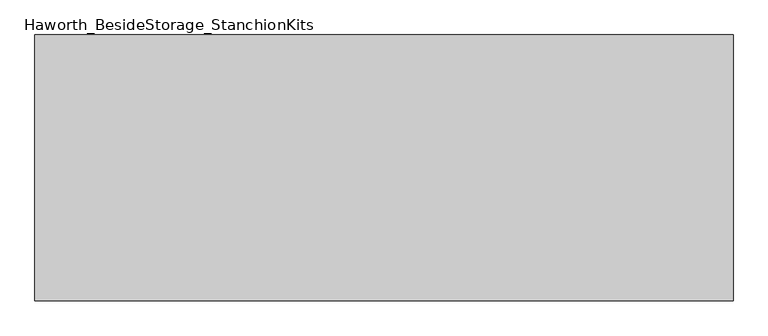
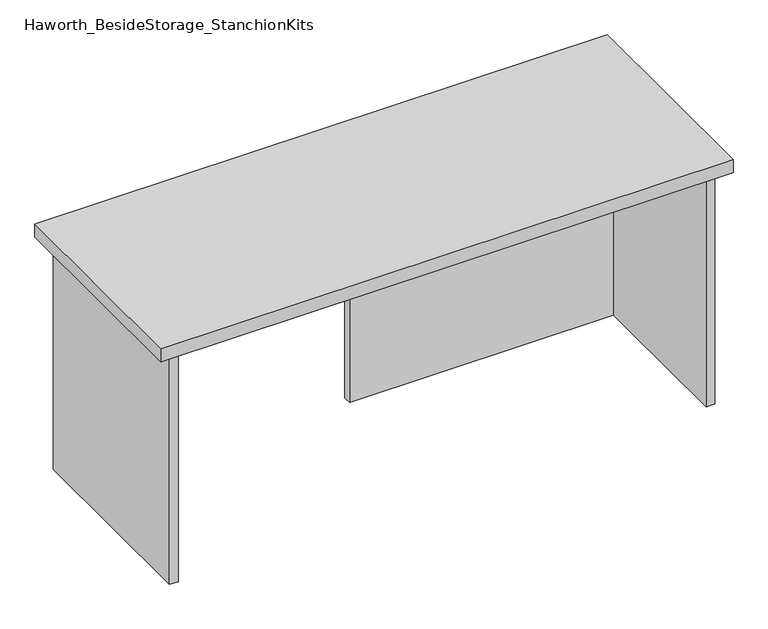
"""IFC4 building model written with IfcOpenShell, lengths in millimetres: furniture geometry, Haworth_BesideStorage_StanchionKits."""

import ifcopenshell
import ifcopenshell.guid

model = None  # the IFC model being written
_history = None  # IfcOwnerHistory: only IFC2X3 demands one
_inside = {}  # id of a spatial element -> (the spatial element, [elements in it])
_under = {}  # id of a project, library or spatial element -> (it, [spatial elements below it])
_declared = {}  # id of a project -> (the project, [libraries it declares])
_typed = {}  # id of a type object -> (the type object, [elements of that type])
_made_of = {}  # id of a material, layer set ... -> (it, [elements and type objects made of it])


def new_model(schema):
    """Start an empty IFC model of exactly this schema.

    Asked for "IFC4X3", IfcOpenShell would pick the latest addendum, in which some entities
    have other attributes; the version numbers below select the first issue.
    IFC2X3 requires an IfcOwnerHistory on every rooted entity: one is made here for all.
    """
    global model, _history
    if schema == "IFC4X3":
        model = ifcopenshell.file(schema_version=(4, 3, 0, 0))
    else:
        model = ifcopenshell.file(schema=schema)
    _inside.clear()
    _under.clear()
    _declared.clear()
    _typed.clear()
    _made_of.clear()
    _history = None
    if model.schema == "IFC2X3":
        org = make("IfcOrganization", Name="unknown")
        user = make(
            "IfcPersonAndOrganization",
            ThePerson=make("IfcPerson", FamilyName="unknown"),
            TheOrganization=org,
        )
        app = make(
            "IfcApplication",
            ApplicationDeveloper=org,
            Version="unknown",
            ApplicationFullName="unknown",
            ApplicationIdentifier="unknown",
        )
        _history = make(
            "IfcOwnerHistory",
            OwningUser=user,
            OwningApplication=app,
            ChangeAction="ADDED",
            CreationDate=0,
        )
    return model


def make(cls, **values):
    """One entity of the class cls with the attributes given. An attribute that is None is left unset."""
    return model.create_entity(
        cls, **{name: value for name, value in values.items() if value is not None}
    )


def rooted(cls, **values):
    """An entity with a GlobalId (a new one), such as an element, a storey or a relation."""
    return make(cls, GlobalId=ifcopenshell.guid.new(), OwnerHistory=_history, **values)


def si_unit(unit_type, name, prefix=None):
    """IfcSIUnit, for example si_unit("LENGTHUNIT", "METRE", prefix="MILLI")."""
    return make("IfcSIUnit", UnitType=unit_type, Prefix=prefix, Name=name)


def assignment(units):
    """IfcUnitAssignment: the units of a project."""
    return None if units is None else make("IfcUnitAssignment", Units=units)


def point(xyz):
    """IfcCartesianPoint."""
    return None if xyz is None else make("IfcCartesianPoint", Coordinates=xyz)


def direction(xyz):
    """IfcDirection."""
    return None if xyz is None else make("IfcDirection", DirectionRatios=xyz)


def frame(location, z_axis=None, x_axis=None):
    """IfcAxis2Placement3D, a coordinate frame: its origin and axes. An axis left out is left unset."""
    return make(
        "IfcAxis2Placement3D",
        Location=point(location),
        Axis=direction(z_axis),
        RefDirection=direction(x_axis),
    )


def origin():
    """The frame at (0, 0, 0) with its axes left unset."""
    return frame((0.0, 0.0, 0.0))


def place(relative_to, where):
    """IfcLocalPlacement: puts the frame where relative to a parent placement (None: the world)."""
    return make(
        "IfcLocalPlacement", PlacementRelTo=relative_to, RelativePlacement=where
    )


def context(
    kind, dimensions, precision=None, world=None, true_north=None, identifier=None
):
    """IfcGeometricRepresentationContext, for example the 3D "Model" context."""
    return make(
        "IfcGeometricRepresentationContext",
        ContextIdentifier=identifier,
        ContextType=kind,
        CoordinateSpaceDimension=dimensions,
        Precision=precision,
        WorldCoordinateSystem=world,
        TrueNorth=true_north,
    )


def project(units=None, contexts=None):
    """IfcProject with its units and contexts."""
    return rooted(
        "IfcProject",
        Name="project",
        RepresentationContexts=contexts,
        UnitsInContext=assignment(units),
    )


def spatial(cls, under=None, at=None, **own):
    """A site, building, storey or space (cls), placed at a placement, below another one or the project."""
    s = rooted(cls, ObjectPlacement=at, **own)
    if under is not None:
        _under.setdefault(under.id(), (under, []))[1].append(s)
    return s


def polyline(points):
    """IfcPolyline through the points."""
    return make("IfcPolyline", Points=[point(p) for p in points])


def outline(outer, holes=None, kind="AREA"):
    """IfcArbitraryClosedProfileDef: a profile drawn as a closed curve; with holes, ...WithVoids."""
    if holes is None:
        return make("IfcArbitraryClosedProfileDef", ProfileType=kind, OuterCurve=outer)
    return make(
        "IfcArbitraryProfileDefWithVoids",
        ProfileType=kind,
        OuterCurve=outer,
        InnerCurves=holes,
    )


def extrude(swept, where, along, depth):
    """IfcExtrudedAreaSolid: the profile swept, set in the frame where, extruded along a direction by depth."""
    return make(
        "IfcExtrudedAreaSolid",
        SweptArea=swept,
        Position=where,
        ExtrudedDirection=direction(along),
        Depth=depth,
    )


def shape(context_of_items, identifier, shape_type, items):
    """IfcShapeRepresentation: the items that make up one representation, for example the "Body"."""
    return make(
        "IfcShapeRepresentation",
        ContextOfItems=context_of_items,
        RepresentationIdentifier=identifier,
        RepresentationType=shape_type,
        Items=items,
    )


def source(mapping_origin, context_of_items, identifier, shape_type, items):
    """IfcRepresentationMap: a shape defined once, which mapped items show again and again."""
    return make(
        "IfcRepresentationMap",
        MappingOrigin=mapping_origin,
        MappedRepresentation=shape(context_of_items, identifier, shape_type, items),
    )


def transform(
    local_origin,
    x_axis=None,
    y_axis=None,
    z_axis=None,
    scale=None,
    scale2=None,
    scale3=None,
    uniform=True,
):
    """IfcCartesianTransformationOperator3D, or its non-uniform kind. x_axis, y_axis, z_axis: its Axis1, 2, 3."""
    if uniform:
        return make(
            "IfcCartesianTransformationOperator3D",
            Axis1=direction(x_axis),
            Axis2=direction(y_axis),
            LocalOrigin=point(local_origin),
            Scale=scale,
            Axis3=direction(z_axis),
        )
    return make(
        "IfcCartesianTransformationOperator3DnonUniform",
        Axis1=direction(x_axis),
        Axis2=direction(y_axis),
        LocalOrigin=point(local_origin),
        Scale=scale,
        Axis3=direction(z_axis),
        Scale2=scale2,
        Scale3=scale3,
    )


def mapped(mapping_source, mapping_target):
    """IfcMappedItem: shows the shape of a source again, moved by a transform."""
    return make(
        "IfcMappedItem", MappingSource=mapping_source, MappingTarget=mapping_target
    )


def made_of(thing, what):
    """Note that an element or type object is made of a material, layer set ...; save() writes the relation."""
    if what is not None:
        _made_of.setdefault(what.id(), (what, []))[1].append(thing)
    return thing


def element(
    cls,
    number,
    at=None,
    inside=None,
    cuts=None,
    type_object=None,
    material=None,
    context=None,
    identifier="Body",
    shape_type=None,
    held_by="IfcProductDefinitionShape",
    body=None,
    shapes=None,
    **own,
):
    """One element of the class cls, such as IfcWall. Its Tag is "e" and its number.

    at: its placement. inside: the storey or other place that contains it. cuts: it is an
    opening in that element (IfcRelVoidsElement). A single representation is given by context,
    identifier, shape_type and body (its items); several are given by shapes. held_by: the class
    of the entity that holds the representations. save() writes the other relations.
    """
    e = rooted(cls, Tag="e%d" % number, ObjectPlacement=at, **own)
    if body is not None:
        shapes = [shape(context, identifier, shape_type, body)]
    if shapes is not None:
        e.Representation = make(held_by, Representations=shapes)
    if inside is not None:
        _inside.setdefault(inside.id(), (inside, []))[1].append(e)
    if cuts is not None:
        rooted(
            "IfcRelVoidsElement", RelatingBuildingElement=cuts, RelatedOpeningElement=e
        )
    if type_object is not None:
        _typed.setdefault(type_object.id(), (type_object, []))[1].append(e)
    return made_of(e, material)


def aggregate(whole, parts):
    """IfcRelAggregates: a whole, such as a stair, and the parts it consists of."""
    return rooted("IfcRelAggregates", RelatingObject=whole, RelatedObjects=parts)


def save(model, path):
    """Write the relations noted so far, then the file.

    IfcRelAggregates (storeys below a building ...), IfcRelContainedInSpatialStructure (elements
    in a storey), IfcRelDefinesByType, IfcRelAssociatesMaterial and IfcRelDeclares: one each for
    every whole, place, type object, material and project.
    """
    for whole, parts in _under.values():
        aggregate(whole, parts)
    for where, things in _inside.values():
        rooted(
            "IfcRelContainedInSpatialStructure",
            RelatedElements=things,
            RelatingStructure=where,
        )
    for kind, things in _typed.values():
        rooted("IfcRelDefinesByType", RelatedObjects=things, RelatingType=kind)
    for what, things in _made_of.values():
        rooted("IfcRelAssociatesMaterial", RelatedObjects=things, RelatingMaterial=what)
    for by, libraries in _declared.values():
        rooted("IfcRelDeclares", RelatingContext=by, RelatedDefinitions=libraries)
    model.write(path)


def haworth_besidestorage_stanchionkits_e9bfe630(model_context):
    return source(origin(), model_context, "Body", "SweptSolid", [
        extrude(outline(polyline([(695.325, 0.0), (695.325, -406.4), (-371.475, -406.4), (-371.475, 0.0), (695.325, 0.0)])), frame((0.0, 0.0, 889.0), z_axis=(0.0, 0.0, 1.0), x_axis=(1.0, 0.0, 0.0)), (0.0, 0.0, 1.0), 25.4),
        extrude(outline(polyline([(161.925, -76.2), (654.05, -76.2), (654.05, -92.075), (161.925, -92.075), (161.925, -76.2)])), frame((0.0, 0.0, 431.8), z_axis=(0.0, 0.0, 1.0), x_axis=(1.0, 0.0, 0.0)), (0.0, 0.0, 1.0), 457.2),
        extrude(outline(polyline([(669.925, -390.525), (654.05, -390.525), (654.05, -15.875), (669.925, -15.875), (669.925, -390.525)])), frame((0.0, 0.0, 431.8), z_axis=(0.0, 0.0, 1.0), x_axis=(1.0, 0.0, 0.0)), (0.0, 0.0, 1.0), 457.2),
        extrude(outline(polyline([(-330.2, -390.525), (-346.075, -390.525), (-346.075, -15.875), (-330.2, -15.875), (-330.2, -390.525)])), frame((0.0, 0.0, 431.8), z_axis=(0.0, 0.0, 1.0), x_axis=(1.0, 0.0, 0.0)), (0.0, 0.0, 1.0), 457.2),
    ])


if __name__ == "__main__":
    model = new_model("IFC4")
    model_context = context("Model", 3, world=origin())
    ifc_project = project(units=[si_unit("LENGTHUNIT", "METRE", prefix="MILLI")], contexts=[model_context])
    site = spatial("IfcSite", under=ifc_project)
    building = spatial("IfcBuilding", under=site)
    placement = place(None, origin())
    haworth_besidestorage_stanchionkits_shape = haworth_besidestorage_stanchionkits_e9bfe630(model_context)
    element("IfcFurniture", 1, ObjectType="Haworth_BesideStorage_StanchionKits", at=placement, inside=building, context=model_context, shape_type="MappedRepresentation", body=[
        mapped(haworth_besidestorage_stanchionkits_shape, transform((0.0, 0.0, 0.0), x_axis=(1.0, 0.0, 0.0), y_axis=(0.0, 1.0, 0.0), z_axis=(0.0, 0.0, 1.0))),
    ])
    save(model, "model.ifc")
